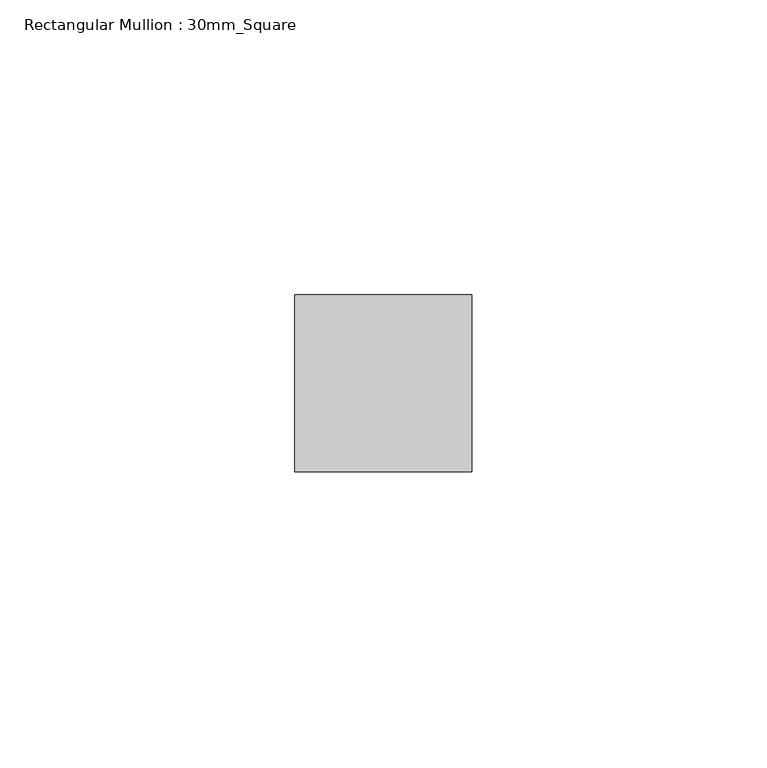
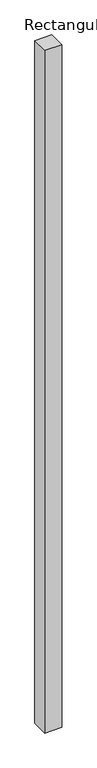
"""IFC4 building model written with IfcOpenShell, lengths in millimetres: member geometry, Rectangular Mullion : 30mm_Square."""

from ifc_helpers import new_model, si_unit, frame, origin, place, context, project, spatial, polyline, outline, extrude, source, transform, mapped, element, save


def rectangular_mullion_30mm_square_6f3db6dc(model_context):
    return source(origin(), model_context, "Body", "SweptSolid", [
        extrude(outline(polyline([(15.0, 15.0), (15.0, -15.0), (-15.0, -15.0), (-15.0, 15.0), (15.0, 15.0)])), frame((0.0, 0.0, -1273.0), z_axis=(0.0, 0.0, 1.0), x_axis=(1.0, 0.0, 0.0)), (0.0, 0.0, 1.0), 1273.0),
    ])


if __name__ == "__main__":
    model = new_model("IFC4")
    model_context = context("Model", 3, world=origin())
    ifc_project = project(units=[si_unit("LENGTHUNIT", "METRE", prefix="MILLI")], contexts=[model_context])
    site = spatial("IfcSite", under=ifc_project)
    building = spatial("IfcBuilding", under=site)
    placement = place(None, origin())
    rectangular_mullion_30mm_square_shape = rectangular_mullion_30mm_square_6f3db6dc(model_context)
    element("IfcMember", 1, ObjectType="Rectangular Mullion : 30mm_Square", at=placement, inside=building, context=model_context, shape_type="MappedRepresentation", body=[
        mapped(rectangular_mullion_30mm_square_shape, transform((0.0, 0.0, 0.0), x_axis=(1.0, 0.0, 0.0), y_axis=(0.0, 1.0, 0.0), z_axis=(0.0, 0.0, 1.0))),
    ])
    save(model, "model.ifc")
